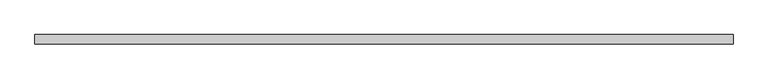
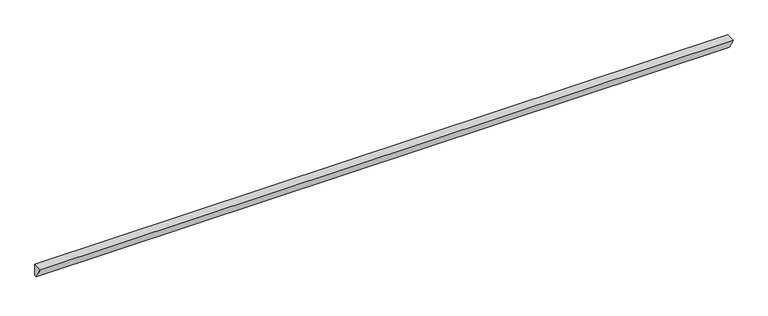
"""IFC4 building model written with IfcOpenShell, lengths in millimetres: beam geometry."""

from ifc_helpers import new_model, si_unit, frame, origin, place, context, project, spatial, polyline, outline, extrude, source, transform, mapped, element, save


def beam_12a0dd2a(model_context):
    return source(origin(), model_context, "Body", "SweptSolid", [
        extrude(outline(polyline([(-80.85, 100.0), (80.85, 100.0), (80.85, -100.0), (34.6200538, -100.0), (-80.85, 100.0)])), frame((-6000.25, 0.0, 0.0), z_axis=(1.0, 0.0, 0.0), x_axis=(0.0, 1.0, 0.0)), (0.0, 0.0, 1.0), 12000.5),
    ])


if __name__ == "__main__":
    model = new_model("IFC4")
    model_context = context("Model", 3, world=origin())
    ifc_project = project(units=[si_unit("LENGTHUNIT", "METRE", prefix="MILLI")], contexts=[model_context])
    site = spatial("IfcSite", under=ifc_project)
    building = spatial("IfcBuilding", under=site)
    placement = place(None, origin())
    beam_shape = beam_12a0dd2a(model_context)
    element("IfcBeam", 1, at=placement, inside=building, context=model_context, shape_type="MappedRepresentation", body=[
        mapped(beam_shape, transform((0.0, 0.0, 0.0), x_axis=(1.0, 0.0, 0.0), y_axis=(0.0, 1.0, 0.0), z_axis=(0.0, 0.0, 1.0))),
    ])
    save(model, "model.ifc")
